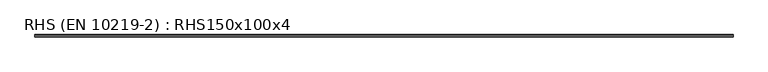
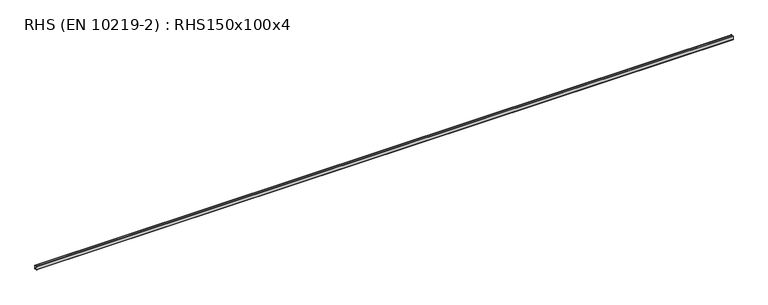
"""IFC4 building model written with IfcOpenShell, lengths in millimetres: beam geometry, RHS (EN 10219-2) : RHS150x100x4."""

from ifc_helpers import new_model, si_unit, point, frame, frame_2d, origin, place, context, project, spatial, polyline, circle_curve, trimmed, segment, composite_curve, outline, extrude, source, transform, mapped, element, save


def rhs_en_10219_2_rhs150x100x4_39ecf589(model_context):
    return source(origin(), model_context, "Body", "SweptSolid", [
        extrude(outline(composite_curve([segment(trimmed(circle_curve(frame_2d((-42.0, 67.0)), 8.0), [point((-50.0, 67.0))], [point((-42.0, 75.0))], False, "CARTESIAN"), True, "CONTINUOUS"), segment(polyline([(-42.0, 75.0), (42.0, 75.0)]), True, "CONTINUOUS"), segment(trimmed(circle_curve(frame_2d((42.0, 67.0)), 8.0), [point((42.0, 75.0))], [point((50.0, 67.0))], False, "CARTESIAN"), True, "CONTINUOUS"), segment(polyline([(50.0, 67.0), (50.0, -67.0)]), True, "CONTINUOUS"), segment(trimmed(circle_curve(frame_2d((42.0, -67.0)), 8.0), [point((50.0, -67.0))], [point((42.0, -75.0))], False, "CARTESIAN"), True, "CONTINUOUS"), segment(polyline([(42.0, -75.0), (-42.0, -75.0)]), True, "CONTINUOUS"), segment(trimmed(circle_curve(frame_2d((-42.0, -67.0)), 8.0), [point((-42.0, -75.0))], [point((-50.0, -67.0))], False, "CARTESIAN"), True, "CONTINUOUS"), segment(polyline([(-50.0, -67.0), (-50.0, 67.0)]), True, "CONTINUOUS")], self_intersect=False), holes=[composite_curve([segment(polyline([(42.0, 71.0), (-42.0, 71.0)]), True, "CONTINUOUS"), segment(trimmed(circle_curve(frame_2d((-42.0, 67.0)), 4.0), [point((-42.0, 71.0))], [point((-46.0, 67.0))], True, "CARTESIAN"), True, "CONTINUOUS"), segment(polyline([(-46.0, 67.0), (-46.0, -67.0)]), True, "CONTINUOUS"), segment(trimmed(circle_curve(frame_2d((-42.0, -67.0)), 4.0), [point((-46.0, -67.0))], [point((-42.0, -71.0))], True, "CARTESIAN"), True, "CONTINUOUS"), segment(polyline([(-42.0, -71.0), (42.0, -71.0)]), True, "CONTINUOUS"), segment(trimmed(circle_curve(frame_2d((42.0, -67.0)), 4.0), [point((42.0, -71.0))], [point((46.0, -67.0))], True, "CARTESIAN"), True, "CONTINUOUS"), segment(polyline([(46.0, -67.0), (46.0, 67.0)]), True, "CONTINUOUS"), segment(trimmed(circle_curve(frame_2d((42.0, 67.0)), 4.0), [point((46.0, 67.0))], [point((42.0, 71.0))], True, "CARTESIAN"), True, "CONTINUOUS")], self_intersect=False)]), frame((-14600.0, 0.0, 0.0), z_axis=(1.0, 0.0, 0.0), x_axis=(0.0, 1.0, 0.0)), (0.0, 0.0, 1.0), 29200.0),
    ])


if __name__ == "__main__":
    model = new_model("IFC4")
    model_context = context("Model", 3, world=origin())
    ifc_project = project(units=[si_unit("LENGTHUNIT", "METRE", prefix="MILLI")], contexts=[model_context])
    site = spatial("IfcSite", under=ifc_project)
    building = spatial("IfcBuilding", under=site)
    placement = place(None, origin())
    rhs_en_10219_2_rhs150x100x4_shape = rhs_en_10219_2_rhs150x100x4_39ecf589(model_context)
    element("IfcBeam", 1, ObjectType="RHS (EN 10219-2) : RHS150x100x4", at=placement, inside=building, context=model_context, shape_type="MappedRepresentation", body=[
        mapped(rhs_en_10219_2_rhs150x100x4_shape, transform((0.0, 0.0, 0.0), x_axis=(1.0, 0.0, 0.0), y_axis=(0.0, 1.0, 0.0), z_axis=(0.0, 0.0, 1.0))),
    ])
    save(model, "model.ifc")
